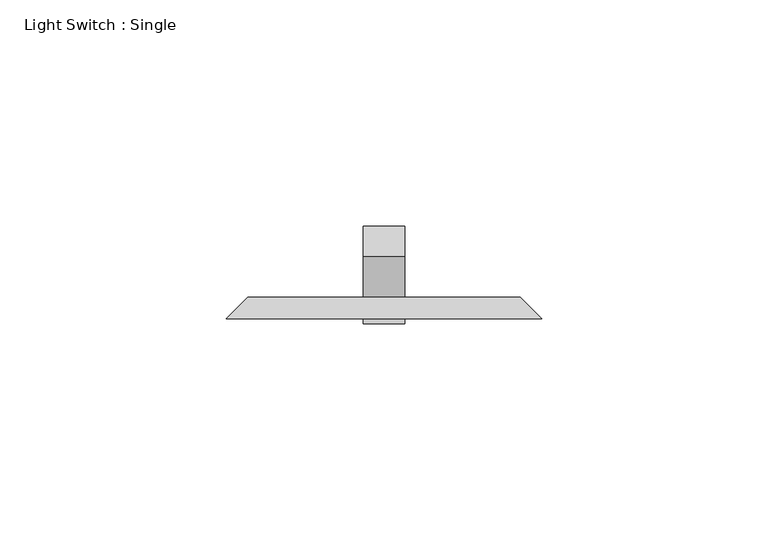
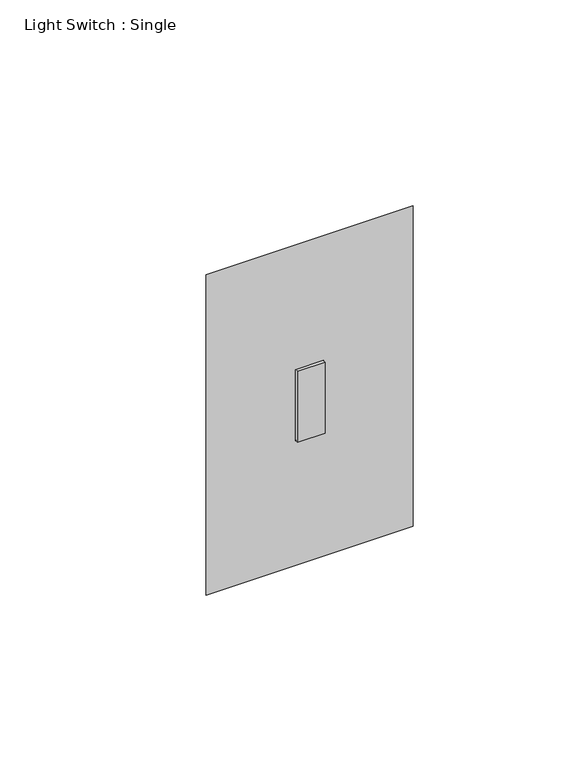
"""IFC4 building model written with IfcOpenShell, lengths in millimetres: proxy geometry, Light Switch : Single."""

from ifc_helpers import new_model, si_unit, frame, origin, place, context, project, spatial, polyline, outline, extrude, faceted_brep, source, transform, mapped, element, save


def light_switch_single_d751132b(model_context):
    return source(origin(), model_context, "Body", "SolidModel", [
        faceted_brep([(-30.1625, 53.975, 357.1875), (30.1625, 53.975, 357.1875), (30.1625, 53.975, 252.4125), (-30.1625, 53.975, 252.4125), (-4.7625, 53.975, 317.5), (-4.7625, 53.975, 292.1), (4.7625, 53.975, 292.1), (4.7625, 53.975, 317.5), (-34.925, 49.2125, 361.95), (-34.925, 49.2125, 247.65), (34.925, 49.2125, 247.65), (34.925, 49.2125, 361.95), (-4.7625, 49.2125, 292.1), (-4.7625, 49.2125, 317.5), (4.7625, 49.2125, 317.5), (4.7625, 49.2125, 292.1)], [[[0, 1, 2, 3], [4, 5, 6, 7]], [[8, 9, 10, 11], [12, 13, 14, 15]], [[1, 0, 8, 11]], [[2, 1, 11, 10]], [[3, 2, 10, 9]], [[0, 3, 9, 8]], [[4, 13, 12, 5]], [[5, 12, 15, 6]], [[6, 15, 14, 7]], [[13, 4, 7, 14]]]),
        extrude(outline(polyline([(62.9552561, 325.4978515), (69.6904482, 318.7626595), (53.975, 303.0472112), (53.975, 294.247253), (52.7352829, 292.1), (48.1233809, 292.1), (48.1233809, 317.5), (52.9925954, 317.5), (53.975, 316.5175954), (62.9552561, 325.4978515)])), frame((-4.6077278, 0.0, 0.0), z_axis=(1.0, 0.0, 0.0), x_axis=(0.0, 1.0, 0.0)), (0.0, 0.0, 1.0), 9.2225805),
    ])


if __name__ == "__main__":
    model = new_model("IFC4")
    model_context = context("Model", 3, world=origin())
    ifc_project = project(units=[si_unit("LENGTHUNIT", "METRE", prefix="MILLI")], contexts=[model_context])
    site = spatial("IfcSite", under=ifc_project)
    building = spatial("IfcBuilding", under=site)
    placement = place(None, origin())
    light_switch_single_shape = light_switch_single_d751132b(model_context)
    element("IfcBuildingElementProxy", 1, Name="Light Switch : Single", ObjectType="Light Switch : Single", at=placement, inside=building, context=model_context, shape_type="MappedRepresentation", body=[
        mapped(light_switch_single_shape, transform((0.0, 0.0, 0.0), x_axis=(1.0, 0.0, 0.0), y_axis=(0.0, 1.0, 0.0), z_axis=(0.0, 0.0, 1.0))),
    ])
    save(model, "model.ifc")
